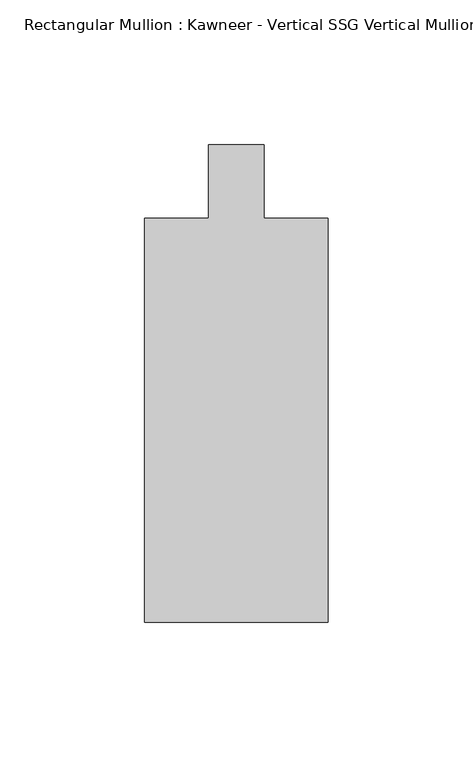
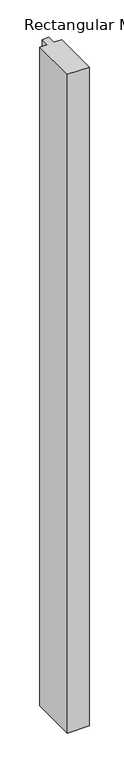
"""IFC4 building model written with IfcOpenShell, lengths in millimetres: member geometry."""

from ifc_helpers import new_model, si_unit, frame, origin, place, context, project, spatial, polyline, outline, extrude, source, transform, mapped, element, save


def member_0930af10(model_context):
    return source(origin(), model_context, "Body", "SweptSolid", [
        extrude(outline(polyline([(-31.75, -12.7), (-9.5251132, -12.7), (-9.5251132, 12.7), (9.5251132, 12.7), (9.5251132, -12.7), (31.75, -12.7), (31.75, -152.399995), (-31.75, -152.399995), (-31.75, -12.7)])), frame((0.0, 0.0, -2043.7430277), z_axis=(0.0, 0.0, 1.0), x_axis=(1.0, 0.0, 0.0)), (0.0, 0.0, 1.0), 2043.7430277),
    ])


if __name__ == "__main__":
    model = new_model("IFC4")
    model_context = context("Model", 3, world=origin())
    ifc_project = project(units=[si_unit("LENGTHUNIT", "METRE", prefix="MILLI")], contexts=[model_context])
    site = spatial("IfcSite", under=ifc_project)
    building = spatial("IfcBuilding", under=site)
    placement = place(None, origin())
    member_shape = member_0930af10(model_context)
    element("IfcMember", 1, ObjectType="Rectangular Mullion : Kawneer - Vertical SSG Vertical Mullion - 7 1/2\"", at=placement, inside=building, context=model_context, shape_type="MappedRepresentation", body=[
        mapped(member_shape, transform((0.0, 0.0, 0.0), x_axis=(1.0, 0.0, 0.0), y_axis=(0.0, 1.0, 0.0), z_axis=(0.0, 0.0, 1.0))),
    ])
    save(model, "model.ifc")
